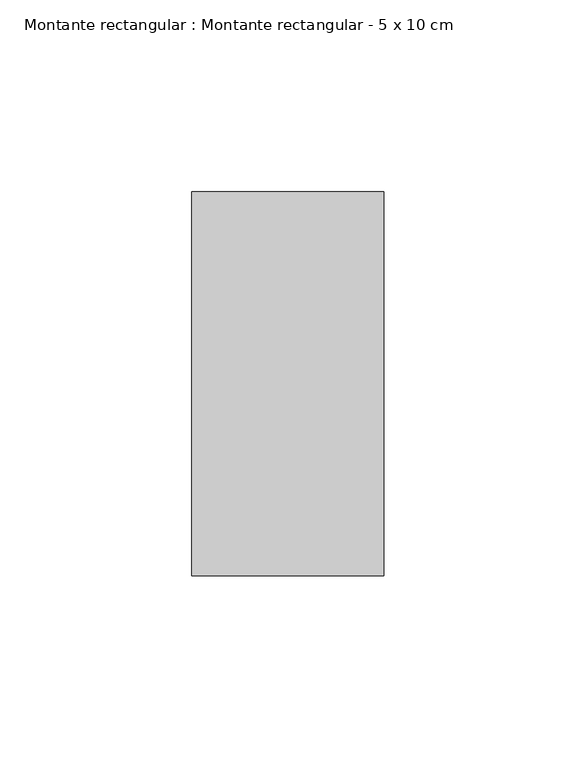
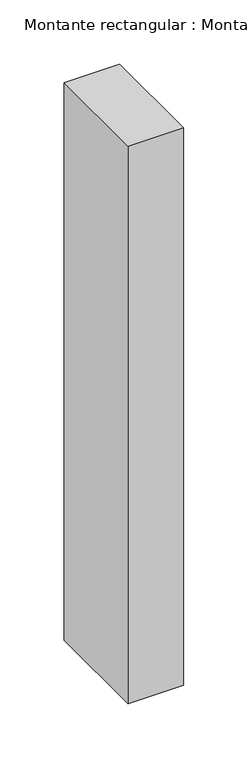
"""IFC4 building model written with IfcOpenShell, lengths in millimetres: member geometry, Montante rectangular : Montante rectangular - 5 x 10 cm."""

from ifc_helpers import new_model, si_unit, frame, origin, place, context, project, spatial, polyline, outline, extrude, source, transform, mapped, element, save


def montante_rectangular_montante_rectangular_5_x_10_cm_6b71db0b(model_context):
    return source(origin(), model_context, "Body", "SweptSolid", [
        extrude(outline(polyline([(-50.0, 50.0), (0.0, 50.0), (0.0, -50.0), (-50.0, -50.0), (-50.0, 50.0)])), frame((0.0, 0.0, -530.0), z_axis=(0.0, 0.0, 1.0), x_axis=(1.0, 0.0, 0.0)), (0.0, 0.0, 1.0), 530.0),
    ])


if __name__ == "__main__":
    model = new_model("IFC4")
    model_context = context("Model", 3, world=origin())
    ifc_project = project(units=[si_unit("LENGTHUNIT", "METRE", prefix="MILLI")], contexts=[model_context])
    site = spatial("IfcSite", under=ifc_project)
    building = spatial("IfcBuilding", under=site)
    placement = place(None, origin())
    montante_rectangular_montante_rectangular_5_x_10_cm_shape = montante_rectangular_montante_rectangular_5_x_10_cm_6b71db0b(model_context)
    element("IfcMember", 1, ObjectType="Montante rectangular : Montante rectangular - 5 x 10 cm", at=placement, inside=building, context=model_context, shape_type="MappedRepresentation", body=[
        mapped(montante_rectangular_montante_rectangular_5_x_10_cm_shape, transform((0.0, 0.0, 0.0), x_axis=(1.0, 0.0, 0.0), y_axis=(0.0, 1.0, 0.0), z_axis=(0.0, 0.0, 1.0))),
    ])
    save(model, "model.ifc")
